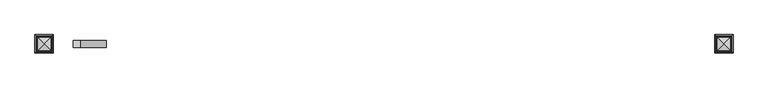
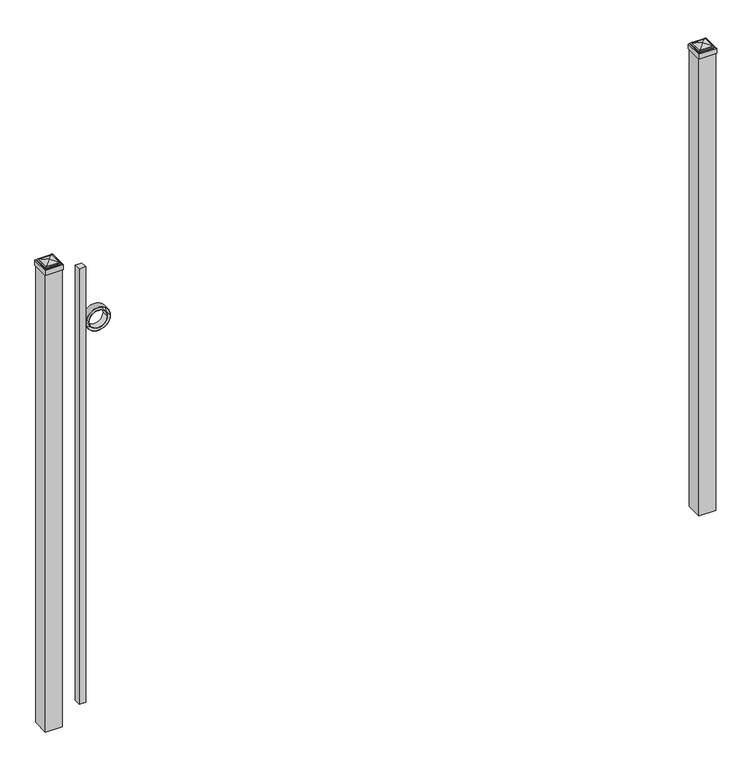
"""IFC4 building model written with IfcOpenShell, lengths in millimetres: railing geometry."""

from ifc_helpers import new_model, si_unit, point, frame, frame_2d, origin, origin_with_axes, place, context, project, spatial, polyline, circle_curve, ellipse_curve, trimmed, segment, composite_curve, outline, extrude, source, transform, mapped, element, save
from ifc_brep_helpers import plane_surface, cylinder_surface, advanced_brep


def railing_903fdf6c(model_context):
    return source(origin(), model_context, "Body", "SolidModel", [
        extrude(outline(polyline([(-23766.6899936, 10381.619541), (-23741.2899936, 10381.619541), (-23741.2899936, 10356.219541), (-23766.6899936, 10356.219541), (-23766.6899936, 10381.619541)])), frame((0.0, 0.0, 50.8), z_axis=(0.0, 0.0, 1.0), x_axis=(1.0, 0.0, 0.0)), (0.0, 0.0, 1.0), 1718.4579232),
        extrude(outline(composite_curve([segment(trimmed(circle_curve(frame_2d((1546.9853669, -23695.1942595)), 45.6988591), [point((1546.9853669, -23649.4954004))], [point((1546.9853669, -23740.8931186))], False, "CARTESIAN"), True, "CONTINUOUS"), segment(trimmed(circle_curve(frame_2d((1546.9853669, -23695.1942595)), 45.6988591), [point((1546.9853669, -23740.8931186))], [point((1546.9853669, -23649.4954004))], False, "CARTESIAN"), True, "CONTINUOUS")], self_intersect=False), holes=[composite_curve([segment(trimmed(circle_curve(frame_2d((1546.9853669, -23695.1942595)), 44.101539), [point((1546.9853669, -23651.0927205))], [point((1546.9853669, -23739.2957985))], True, "CARTESIAN"), True, "CONTINUOUS"), segment(trimmed(circle_curve(frame_2d((1546.9853669, -23695.1942595)), 44.101539), [point((1546.9853669, -23739.2957985))], [point((1546.9853669, -23651.0927205))], True, "CARTESIAN"), True, "CONTINUOUS")], self_intersect=False)]), frame((0.0, 10356.219541, 0.0), z_axis=(0.0, 1.0, 0.0), x_axis=(0.0, 0.0, 1.0)), (0.0, 0.0, 1.0), 25.4),
        extrude(outline(composite_curve([segment(trimmed(circle_curve(frame_2d((1546.9853669, -23695.1942595)), 34.6370762), [point((1546.9853669, -23660.5571833))], [point((1546.9853669, -23729.8313357))], False, "CARTESIAN"), True, "CONTINUOUS"), segment(trimmed(circle_curve(frame_2d((1546.9853669, -23695.1942595)), 34.6370762), [point((1546.9853669, -23729.8313357))], [point((1546.9853669, -23660.5571833))], False, "CARTESIAN"), True, "CONTINUOUS")], self_intersect=False), holes=[composite_curve([segment(trimmed(circle_curve(frame_2d((1546.9853669, -23695.1942595)), 33.0443887), [point((1546.9853669, -23662.1498708))], [point((1546.9853669, -23728.2386482))], True, "CARTESIAN"), True, "CONTINUOUS"), segment(trimmed(circle_curve(frame_2d((1546.9853669, -23695.1942595)), 33.0443887), [point((1546.9853669, -23728.2386482))], [point((1546.9853669, -23662.1498708))], True, "CARTESIAN"), True, "CONTINUOUS")], self_intersect=False)]), frame((0.0, 10356.219541, 0.0), z_axis=(0.0, 1.0, 0.0), x_axis=(0.0, 0.0, 1.0)), (0.0, 0.0, 1.0), 25.4),
        extrude(outline(polyline([(-21401.3149936, 10400.669541), (-21401.3149936, 10337.169541), (-21464.8149936, 10337.169541), (-21464.8149936, 10400.669541), (-21401.3149936, 10400.669541)])), origin_with_axes(), (0.0, 0.0, 1.0), 1804.9875),
        advanced_brep(
        [(-21466.4024936, 10402.257041, 1823.24375), (-21466.4024936, 10402.257041, 1804.9875), (-21466.4024936, 10335.582041, 1804.9875), (-21466.4024936, 10335.582041, 1823.24375), (-21464.0212436, 10399.875791, 1825.625), (-21464.0212436, 10337.963291, 1825.625), (-21461.6399936, 10397.494541, 1828.00625), (-21461.6399936, 10397.494541, 1825.625), (-21461.6399936, 10340.344541, 1825.625), (-21461.6399936, 10340.344541, 1828.00625), (-21459.2587436, 10395.113291, 1830.3875), (-21459.2587436, 10342.725791, 1830.3875), (-21433.0649936, 10368.919541, 1836.7375), (-21456.8774936, 10392.732041, 1830.3875), (-21456.8774936, 10345.107041, 1830.3875), (-21399.7274936, 10335.582041, 1804.9875), (-21399.7274936, 10335.582041, 1823.24375), (-21402.1087436, 10337.963291, 1825.625), (-21404.4899936, 10340.344541, 1825.625), (-21404.4899936, 10340.344541, 1828.00625), (-21406.8712436, 10342.725791, 1830.3875), (-21409.2524936, 10345.107041, 1830.3875), (-21399.7274936, 10402.257041, 1804.9875), (-21399.7274936, 10402.257041, 1823.24375), (-21402.1087436, 10399.875791, 1825.625), (-21404.4899936, 10397.494541, 1825.625), (-21404.4899936, 10397.494541, 1828.00625), (-21406.8712436, 10395.113291, 1830.3875), (-21409.2524936, 10392.732041, 1830.3875)],
        [
            (0, 1),
            (1, 2),
            (2, 3),
            (3, 0),
            (4, 0, ellipse_curve(frame((-21464.0212436, 10399.875791, 1823.24375), z_axis=(-0.70710678118655, -0.7071067811865449, 0.0), x_axis=(-0.7071067811865448, 0.7071067811865501, 0.0)), 3.367596, 2.38125)),
            (3, 5, ellipse_curve(frame((-21464.0212436, 10337.963291, 1823.24375), z_axis=(-0.7071067811865449, 0.70710678118655, 0.0), x_axis=(0.7071067811865499, 0.707106781186545, 0.0)), 3.367596, 2.38125)),
            (5, 4),
            (6, 7),
            (7, 8),
            (8, 9),
            (9, 6),
            (10, 6, ellipse_curve(frame((-21459.2587436, 10395.113291, 1828.00625), z_axis=(-0.70710678118655, -0.7071067811865449, 0.0), x_axis=(-0.7071067811865448, 0.7071067811865501, 0.0)), 3.367596, 2.38125)),
            (9, 11, ellipse_curve(frame((-21459.2587436, 10342.725791, 1828.00625), z_axis=(-0.7071067811865449, 0.70710678118655, 0.0), x_axis=(0.7071067811865499, 0.707106781186545, 0.0)), 3.367596, 2.38125)),
            (11, 10),
            (12, 13, ellipse_curve(frame((-21433.0649936, 10368.919541, 1788.9140625), z_axis=(-0.70710678118655, -0.7071067811865449, 0.0), x_axis=(-0.7071067811865448, 0.7071067811865501, 0.0)), 67.6325539, 47.8234375)),
            (13, 14),
            (14, 12, ellipse_curve(frame((-21433.0649936, 10368.919541, 1788.9140625), z_axis=(-0.7071067811865449, 0.70710678118655, 0.0), x_axis=(0.7071067811865499, 0.707106781186545, 0.0)), 67.6325539, 47.8234375)),
            (2, 15),
            (15, 16),
            (16, 3),
            (16, 17, ellipse_curve(frame((-21402.1087436, 10337.963291, 1823.24375), z_axis=(-0.70710678118655, -0.707106781186545, 0.0), x_axis=(-0.707106781186545, 0.70710678118655, 0.0)), 3.367596, 2.38125)),
            (17, 5),
            (8, 18),
            (18, 19),
            (19, 9),
            (19, 20, ellipse_curve(frame((-21406.8712436, 10342.725791, 1828.00625), z_axis=(-0.70710678118655, -0.707106781186545, 0.0), x_axis=(-0.707106781186545, 0.70710678118655, 0.0)), 3.367596, 2.38125)),
            (20, 11),
            (14, 21),
            (21, 12, ellipse_curve(frame((-21433.0649936, 10368.919541, 1788.9140625), z_axis=(-0.70710678118655, -0.707106781186545, 0.0), x_axis=(-0.707106781186545, 0.70710678118655, 0.0)), 67.6325539, 47.8234375)),
            (15, 22),
            (22, 23),
            (23, 16),
            (23, 24, ellipse_curve(frame((-21402.1087436, 10399.875791, 1823.24375), z_axis=(0.707106781186545, -0.7071067811865499, 0.0), x_axis=(-0.7071067811865497, -0.7071067811865452, 0.0)), 3.367596, 2.38125)),
            (24, 17),
            (18, 25),
            (25, 26),
            (26, 19),
            (26, 27, ellipse_curve(frame((-21406.8712436, 10395.113291, 1828.00625), z_axis=(0.707106781186545, -0.7071067811865499, 0.0), x_axis=(-0.7071067811865497, -0.7071067811865452, 0.0)), 3.367596, 2.38125)),
            (27, 20),
            (21, 28),
            (28, 12, ellipse_curve(frame((-21433.0649936, 10368.919541, 1788.9140625), z_axis=(0.707106781186545, -0.7071067811865499, 0.0), x_axis=(-0.7071067811865497, -0.7071067811865452, 0.0)), 67.6325539, 47.8234375)),
            (22, 1),
            (0, 23),
            (4, 24),
            (7, 25),
            (6, 26),
            (10, 27),
            (13, 28),
        ],
        [
            plane_surface(frame((-21466.4024936, 10402.257041, 1804.9875), z_axis=(-1.0, 0.0, 0.0), x_axis=(0.0, -1.0, 0.0))),
            cylinder_surface(frame((-21464.0212436, 10400.669541, 1823.24375), z_axis=(0.0, 1.0, 0.0), x_axis=(1.0, 0.0, 0.0)), 2.38125),
            plane_surface(frame((-21461.6399936, 10397.494541, 1825.625), z_axis=(-1.0, 0.0, 0.0), x_axis=(0.0, -1.0, 0.0))),
            cylinder_surface(frame((-21459.2587436, 10400.669541, 1828.00625), z_axis=(0.0, 1.0, 0.0), x_axis=(1.0, 0.0, 0.0)), 2.38125),
            cylinder_surface(frame((-21433.0649936, 10400.669541, 1788.9140625), z_axis=(0.0, 1.0, 0.0), x_axis=(1.0, 0.0, 0.0)), 47.8234375),
            plane_surface(frame((-21466.4024936, 10335.582041, 1804.9875), z_axis=(0.0, -1.0, 0.0), x_axis=(1.0, 0.0, 0.0))),
            cylinder_surface(frame((-21464.8149936, 10337.963291, 1823.24375), z_axis=(-1.0, 0.0, 0.0), x_axis=(0.0, 1.0, 0.0)), 2.38125),
            plane_surface(frame((-21461.6399936, 10340.344541, 1825.625), z_axis=(0.0, -1.0, 0.0), x_axis=(1.0, 0.0, 0.0))),
            cylinder_surface(frame((-21464.8149936, 10342.725791, 1828.00625), z_axis=(-1.0, 0.0, 0.0), x_axis=(0.0, 1.0, 0.0)), 2.38125),
            cylinder_surface(frame((-21464.8149936, 10368.919541, 1788.9140625), z_axis=(-1.0, 0.0, 0.0), x_axis=(0.0, 1.0, 0.0)), 47.8234375),
            plane_surface(frame((-21399.7274936, 10335.582041, 1804.9875), z_axis=(1.0, 0.0, 0.0), x_axis=(0.0, 1.0, 0.0))),
            cylinder_surface(frame((-21402.1087436, 10337.169541, 1823.24375), z_axis=(0.0, -1.0, 0.0), x_axis=(-1.0, 0.0, 0.0)), 2.38125),
            plane_surface(frame((-21404.4899936, 10340.344541, 1825.625), z_axis=(1.0, 0.0, 0.0), x_axis=(0.0, 1.0, 0.0))),
            cylinder_surface(frame((-21406.8712436, 10337.169541, 1828.00625), z_axis=(0.0, -1.0, 0.0), x_axis=(-1.0, 0.0, 0.0)), 2.38125),
            cylinder_surface(frame((-21433.0649936, 10337.169541, 1788.9140625), z_axis=(0.0, -1.0, 0.0), x_axis=(-1.0, 0.0, 0.0)), 47.8234375),
            plane_surface(frame((-21399.7274936, 10402.257041, 1804.9875), z_axis=(0.0, 1.0, 0.0), x_axis=(-1.0, 0.0, 0.0))),
            cylinder_surface(frame((-21401.3149936, 10399.875791, 1823.24375), z_axis=(1.0, 0.0, 0.0), x_axis=(0.0, -1.0, 0.0)), 2.38125),
            plane_surface(frame((-21402.1087436, 10399.875791, 1825.625), z_axis=(0.0, 0.0, 1.0), x_axis=(-1.0, 0.0, 0.0))),
            plane_surface(frame((-21404.4899936, 10397.494541, 1825.625), z_axis=(0.0, 1.0, 0.0), x_axis=(-1.0, 0.0, 0.0))),
            cylinder_surface(frame((-21401.3149936, 10395.113291, 1828.00625), z_axis=(1.0, 0.0, 0.0), x_axis=(0.0, -1.0, 0.0)), 2.38125),
            plane_surface(frame((-21406.8712436, 10395.113291, 1830.3875), z_axis=(0.0, 0.0, 1.0), x_axis=(-1.0, 0.0, 0.0))),
            cylinder_surface(frame((-21401.3149936, 10368.919541, 1788.9140625), z_axis=(1.0, 0.0, 0.0), x_axis=(0.0, -1.0, 0.0)), 47.8234375),
            plane_surface(frame((-21433.0649936, 10368.919541, 1804.9875), z_axis=(0.0, 0.0, -1.0), x_axis=(-1.0, 0.0, 0.0))),
        ],
        [
            (0, [[1, 2, 3, 4]]),
            (1, [[5, -4, 6, 7]]),
            (2, [[8, 9, 10, 11]]),
            (3, [[12, -11, 13, 14]]),
            (4, [[15, 16, 17]]),
            (5, [[-3, 18, 19, 20]]),
            (6, [[-6, -20, 21, 22]]),
            (7, [[-10, 23, 24, 25]]),
            (8, [[-13, -25, 26, 27]]),
            (9, [[-17, 28, 29]]),
            (10, [[-19, 30, 31, 32]]),
            (11, [[-21, -32, 33, 34]]),
            (12, [[-24, 35, 36, 37]]),
            (13, [[-26, -37, 38, 39]]),
            (14, [[-29, 40, 41]]),
            (15, [[-31, 42, -1, 43]]),
            (16, [[-33, -43, -5, 44]]),
            (17, [[-22, -34, -44, -7], [45, -35, -23, -9]]),
            (18, [[-36, -45, -8, 46]]),
            (19, [[-38, -46, -12, 47]]),
            (20, [[-27, -39, -47, -14], [48, -40, -28, -16]]),
            (21, [[-41, -48, -15]]),
            (22, [[-42, -30, -18, -2]]),
        ],
    ),
        extrude(outline(polyline([(-23839.7149936, 10400.669541), (-23839.7149936, 10337.169541), (-23903.2149936, 10337.169541), (-23903.2149936, 10400.669541), (-23839.7149936, 10400.669541)])), origin_with_axes(), (0.0, 0.0, 1.0), 1804.9875),
        advanced_brep(
        [(-23904.8024936, 10402.257041, 1823.24375), (-23904.8024936, 10402.257041, 1804.9875), (-23904.8024936, 10335.582041, 1804.9875), (-23904.8024936, 10335.582041, 1823.24375), (-23902.4212436, 10399.875791, 1825.625), (-23902.4212436, 10337.963291, 1825.625), (-23900.0399936, 10397.494541, 1828.00625), (-23900.0399936, 10397.494541, 1825.625), (-23900.0399936, 10340.344541, 1825.625), (-23900.0399936, 10340.344541, 1828.00625), (-23897.6587436, 10395.113291, 1830.3875), (-23897.6587436, 10342.725791, 1830.3875), (-23871.4649936, 10368.919541, 1836.7375), (-23895.2774936, 10392.732041, 1830.3875), (-23895.2774936, 10345.107041, 1830.3875), (-23838.1274936, 10335.582041, 1804.9875), (-23838.1274936, 10335.582041, 1823.24375), (-23840.5087436, 10337.963291, 1825.625), (-23842.8899936, 10340.344541, 1825.625), (-23842.8899936, 10340.344541, 1828.00625), (-23845.2712436, 10342.725791, 1830.3875), (-23847.6524936, 10345.107041, 1830.3875), (-23838.1274936, 10402.257041, 1804.9875), (-23838.1274936, 10402.257041, 1823.24375), (-23840.5087436, 10399.875791, 1825.625), (-23842.8899936, 10397.494541, 1825.625), (-23842.8899936, 10397.494541, 1828.00625), (-23845.2712436, 10395.113291, 1830.3875), (-23847.6524936, 10392.732041, 1830.3875)],
        [
            (0, 1),
            (1, 2),
            (2, 3),
            (3, 0),
            (4, 0, ellipse_curve(frame((-23902.4212436, 10399.875791, 1823.24375), z_axis=(-0.70710678118655, -0.7071067811865449, 0.0), x_axis=(-0.7071067811865448, 0.7071067811865501, 0.0)), 3.367596, 2.38125)),
            (3, 5, ellipse_curve(frame((-23902.4212436, 10337.963291, 1823.24375), z_axis=(-0.7071067811865449, 0.70710678118655, 0.0), x_axis=(0.7071067811865499, 0.707106781186545, 0.0)), 3.367596, 2.38125)),
            (5, 4),
            (6, 7),
            (7, 8),
            (8, 9),
            (9, 6),
            (10, 6, ellipse_curve(frame((-23897.6587436, 10395.113291, 1828.00625), z_axis=(-0.70710678118655, -0.7071067811865449, 0.0), x_axis=(-0.7071067811865448, 0.7071067811865501, 0.0)), 3.367596, 2.38125)),
            (9, 11, ellipse_curve(frame((-23897.6587436, 10342.725791, 1828.00625), z_axis=(-0.7071067811865449, 0.70710678118655, 0.0), x_axis=(0.7071067811865499, 0.707106781186545, 0.0)), 3.367596, 2.38125)),
            (11, 10),
            (12, 13, ellipse_curve(frame((-23871.4649936, 10368.919541, 1788.9140625), z_axis=(-0.70710678118655, -0.7071067811865449, 0.0), x_axis=(-0.7071067811865448, 0.7071067811865501, 0.0)), 67.6325539, 47.8234375)),
            (13, 14),
            (14, 12, ellipse_curve(frame((-23871.4649936, 10368.919541, 1788.9140625), z_axis=(-0.7071067811865449, 0.70710678118655, 0.0), x_axis=(0.7071067811865499, 0.707106781186545, 0.0)), 67.6325539, 47.8234375)),
            (2, 15),
            (15, 16),
            (16, 3),
            (16, 17, ellipse_curve(frame((-23840.5087436, 10337.963291, 1823.24375), z_axis=(-0.70710678118655, -0.707106781186545, 0.0), x_axis=(-0.707106781186545, 0.70710678118655, 0.0)), 3.367596, 2.38125)),
            (17, 5),
            (8, 18),
            (18, 19),
            (19, 9),
            (19, 20, ellipse_curve(frame((-23845.2712436, 10342.725791, 1828.00625), z_axis=(-0.70710678118655, -0.707106781186545, 0.0), x_axis=(-0.707106781186545, 0.70710678118655, 0.0)), 3.367596, 2.38125)),
            (20, 11),
            (14, 21),
            (21, 12, ellipse_curve(frame((-23871.4649936, 10368.919541, 1788.9140625), z_axis=(-0.70710678118655, -0.707106781186545, 0.0), x_axis=(-0.707106781186545, 0.70710678118655, 0.0)), 67.6325539, 47.8234375)),
            (15, 22),
            (22, 23),
            (23, 16),
            (23, 24, ellipse_curve(frame((-23840.5087436, 10399.875791, 1823.24375), z_axis=(0.707106781186545, -0.7071067811865499, 0.0), x_axis=(-0.7071067811865497, -0.7071067811865452, 0.0)), 3.367596, 2.38125)),
            (24, 17),
            (18, 25),
            (25, 26),
            (26, 19),
            (26, 27, ellipse_curve(frame((-23845.2712436, 10395.113291, 1828.00625), z_axis=(0.707106781186545, -0.7071067811865499, 0.0), x_axis=(-0.7071067811865497, -0.7071067811865452, 0.0)), 3.367596, 2.38125)),
            (27, 20),
            (21, 28),
            (28, 12, ellipse_curve(frame((-23871.4649936, 10368.919541, 1788.9140625), z_axis=(0.707106781186545, -0.7071067811865499, 0.0), x_axis=(-0.7071067811865497, -0.7071067811865452, 0.0)), 67.6325539, 47.8234375)),
            (22, 1),
            (0, 23),
            (4, 24),
            (7, 25),
            (6, 26),
            (10, 27),
            (13, 28),
        ],
        [
            plane_surface(frame((-23904.8024936, 10402.257041, 1804.9875), z_axis=(-1.0, 0.0, 0.0), x_axis=(0.0, -1.0, 0.0))),
            cylinder_surface(frame((-23902.4212436, 10400.669541, 1823.24375), z_axis=(0.0, 1.0, 0.0), x_axis=(1.0, 0.0, 0.0)), 2.38125),
            plane_surface(frame((-23900.0399936, 10397.494541, 1825.625), z_axis=(-1.0, 0.0, 0.0), x_axis=(0.0, -1.0, 0.0))),
            cylinder_surface(frame((-23897.6587436, 10400.669541, 1828.00625), z_axis=(0.0, 1.0, 0.0), x_axis=(1.0, 0.0, 0.0)), 2.38125),
            cylinder_surface(frame((-23871.4649936, 10400.669541, 1788.9140625), z_axis=(0.0, 1.0, 0.0), x_axis=(1.0, 0.0, 0.0)), 47.8234375),
            plane_surface(frame((-23904.8024936, 10335.582041, 1804.9875), z_axis=(0.0, -1.0, 0.0), x_axis=(1.0, 0.0, 0.0))),
            cylinder_surface(frame((-23903.2149936, 10337.963291, 1823.24375), z_axis=(-1.0, 0.0, 0.0), x_axis=(0.0, 1.0, 0.0)), 2.38125),
            plane_surface(frame((-23900.0399936, 10340.344541, 1825.625), z_axis=(0.0, -1.0, 0.0), x_axis=(1.0, 0.0, 0.0))),
            cylinder_surface(frame((-23903.2149936, 10342.725791, 1828.00625), z_axis=(-1.0, 0.0, 0.0), x_axis=(0.0, 1.0, 0.0)), 2.38125),
            cylinder_surface(frame((-23903.2149936, 10368.919541, 1788.9140625), z_axis=(-1.0, 0.0, 0.0), x_axis=(0.0, 1.0, 0.0)), 47.8234375),
            plane_surface(frame((-23838.1274936, 10335.582041, 1804.9875), z_axis=(1.0, 0.0, 0.0), x_axis=(0.0, 1.0, 0.0))),
            cylinder_surface(frame((-23840.5087436, 10337.169541, 1823.24375), z_axis=(0.0, -1.0, 0.0), x_axis=(-1.0, 0.0, 0.0)), 2.38125),
            plane_surface(frame((-23842.8899936, 10340.344541, 1825.625), z_axis=(1.0, 0.0, 0.0), x_axis=(0.0, 1.0, 0.0))),
            cylinder_surface(frame((-23845.2712436, 10337.169541, 1828.00625), z_axis=(0.0, -1.0, 0.0), x_axis=(-1.0, 0.0, 0.0)), 2.38125),
            cylinder_surface(frame((-23871.4649936, 10337.169541, 1788.9140625), z_axis=(0.0, -1.0, 0.0), x_axis=(-1.0, 0.0, 0.0)), 47.8234375),
            plane_surface(frame((-23838.1274936, 10402.257041, 1804.9875), z_axis=(0.0, 1.0, 0.0), x_axis=(-1.0, 0.0, 0.0))),
            cylinder_surface(frame((-23839.7149936, 10399.875791, 1823.24375), z_axis=(1.0, 0.0, 0.0), x_axis=(0.0, -1.0, 0.0)), 2.38125),
            plane_surface(frame((-23840.5087436, 10399.875791, 1825.625), z_axis=(0.0, 0.0, 1.0), x_axis=(-1.0, 0.0, 0.0))),
            plane_surface(frame((-23842.8899936, 10397.494541, 1825.625), z_axis=(0.0, 1.0, 0.0), x_axis=(-1.0, 0.0, 0.0))),
            cylinder_surface(frame((-23839.7149936, 10395.113291, 1828.00625), z_axis=(1.0, 0.0, 0.0), x_axis=(0.0, -1.0, 0.0)), 2.38125),
            plane_surface(frame((-23845.2712436, 10395.113291, 1830.3875), z_axis=(0.0, 0.0, 1.0), x_axis=(-1.0, 0.0, 0.0))),
            cylinder_surface(frame((-23839.7149936, 10368.919541, 1788.9140625), z_axis=(1.0, 0.0, 0.0), x_axis=(0.0, -1.0, 0.0)), 47.8234375),
            plane_surface(frame((-23871.4649936, 10368.919541, 1804.9875), z_axis=(0.0, 0.0, -1.0), x_axis=(-1.0, 0.0, 0.0))),
        ],
        [
            (0, [[1, 2, 3, 4]]),
            (1, [[5, -4, 6, 7]]),
            (2, [[8, 9, 10, 11]]),
            (3, [[12, -11, 13, 14]]),
            (4, [[15, 16, 17]]),
            (5, [[-3, 18, 19, 20]]),
            (6, [[-6, -20, 21, 22]]),
            (7, [[-10, 23, 24, 25]]),
            (8, [[-13, -25, 26, 27]]),
            (9, [[-17, 28, 29]]),
            (10, [[-19, 30, 31, 32]]),
            (11, [[-21, -32, 33, 34]]),
            (12, [[-24, 35, 36, 37]]),
            (13, [[-26, -37, 38, 39]]),
            (14, [[-29, 40, 41]]),
            (15, [[-31, 42, -1, 43]]),
            (16, [[-33, -43, -5, 44]]),
            (17, [[-22, -34, -44, -7], [45, -35, -23, -9]]),
            (18, [[-36, -45, -8, 46]]),
            (19, [[-38, -46, -12, 47]]),
            (20, [[-27, -39, -47, -14], [48, -40, -28, -16]]),
            (21, [[-41, -48, -15]]),
            (22, [[-42, -30, -18, -2]]),
        ],
    ),
    ])


if __name__ == "__main__":
    model = new_model("IFC4")
    model_context = context("Model", 3, world=origin())
    ifc_project = project(units=[si_unit("LENGTHUNIT", "METRE", prefix="MILLI")], contexts=[model_context])
    site = spatial("IfcSite", under=ifc_project)
    building = spatial("IfcBuilding", under=site)
    placement = place(None, origin())
    railing_shape = railing_903fdf6c(model_context)
    element("IfcRailing", 1, at=placement, inside=building, context=model_context, shape_type="MappedRepresentation", body=[
        mapped(railing_shape, transform((0.0, 0.0, 0.0), x_axis=(1.0, 0.0, 0.0), y_axis=(0.0, 1.0, 0.0), z_axis=(0.0, 0.0, 1.0))),
    ])
    save(model, "model.ifc")
